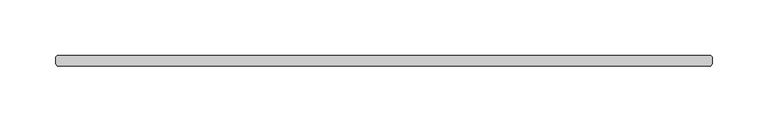
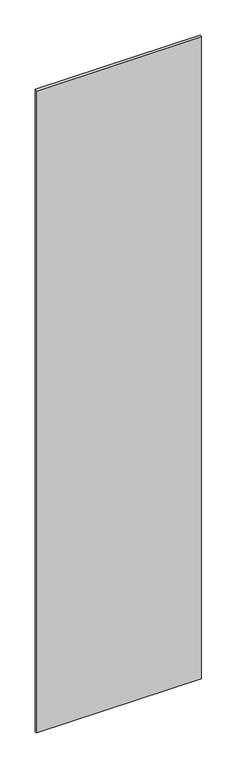
"""IFC4 building model written with IfcOpenShell, lengths in millimetres: plate geometry."""

import ifcopenshell
import ifcopenshell.guid

model = None  # the IFC model being written
_history = None  # IfcOwnerHistory: only IFC2X3 demands one
_inside = {}  # id of a spatial element -> (the spatial element, [elements in it])
_under = {}  # id of a project, library or spatial element -> (it, [spatial elements below it])
_declared = {}  # id of a project -> (the project, [libraries it declares])
_typed = {}  # id of a type object -> (the type object, [elements of that type])
_made_of = {}  # id of a material, layer set ... -> (it, [elements and type objects made of it])


def new_model(schema):
    """Start an empty IFC model of exactly this schema.

    Asked for "IFC4X3", IfcOpenShell would pick the latest addendum, in which some entities
    have other attributes; the version numbers below select the first issue.
    IFC2X3 requires an IfcOwnerHistory on every rooted entity: one is made here for all.
    """
    global model, _history
    if schema == "IFC4X3":
        model = ifcopenshell.file(schema_version=(4, 3, 0, 0))
    else:
        model = ifcopenshell.file(schema=schema)
    _inside.clear()
    _under.clear()
    _declared.clear()
    _typed.clear()
    _made_of.clear()
    _history = None
    if model.schema == "IFC2X3":
        org = make("IfcOrganization", Name="unknown")
        user = make(
            "IfcPersonAndOrganization",
            ThePerson=make("IfcPerson", FamilyName="unknown"),
            TheOrganization=org,
        )
        app = make(
            "IfcApplication",
            ApplicationDeveloper=org,
            Version="unknown",
            ApplicationFullName="unknown",
            ApplicationIdentifier="unknown",
        )
        _history = make(
            "IfcOwnerHistory",
            OwningUser=user,
            OwningApplication=app,
            ChangeAction="ADDED",
            CreationDate=0,
        )
    return model


def make(cls, **values):
    """One entity of the class cls with the attributes given. An attribute that is None is left unset."""
    return model.create_entity(
        cls, **{name: value for name, value in values.items() if value is not None}
    )


def rooted(cls, **values):
    """An entity with a GlobalId (a new one), such as an element, a storey or a relation."""
    return make(cls, GlobalId=ifcopenshell.guid.new(), OwnerHistory=_history, **values)


def si_unit(unit_type, name, prefix=None):
    """IfcSIUnit, for example si_unit("LENGTHUNIT", "METRE", prefix="MILLI")."""
    return make("IfcSIUnit", UnitType=unit_type, Prefix=prefix, Name=name)


def assignment(units):
    """IfcUnitAssignment: the units of a project."""
    return None if units is None else make("IfcUnitAssignment", Units=units)


def point(xyz):
    """IfcCartesianPoint."""
    return None if xyz is None else make("IfcCartesianPoint", Coordinates=xyz)


def direction(xyz):
    """IfcDirection."""
    return None if xyz is None else make("IfcDirection", DirectionRatios=xyz)


def frame(location, z_axis=None, x_axis=None):
    """IfcAxis2Placement3D, a coordinate frame: its origin and axes. An axis left out is left unset."""
    return make(
        "IfcAxis2Placement3D",
        Location=point(location),
        Axis=direction(z_axis),
        RefDirection=direction(x_axis),
    )


def origin():
    """The frame at (0, 0, 0) with its axes left unset."""
    return frame((0.0, 0.0, 0.0))


def origin_with_axes():
    """The frame at (0, 0, 0) with the z axis (0, 0, 1) and the x axis (1, 0, 0) written out."""
    return frame((0.0, 0.0, 0.0), z_axis=(0.0, 0.0, 1.0), x_axis=(1.0, 0.0, 0.0))


def place(relative_to, where):
    """IfcLocalPlacement: puts the frame where relative to a parent placement (None: the world)."""
    return make(
        "IfcLocalPlacement", PlacementRelTo=relative_to, RelativePlacement=where
    )


def context(
    kind, dimensions, precision=None, world=None, true_north=None, identifier=None
):
    """IfcGeometricRepresentationContext, for example the 3D "Model" context."""
    return make(
        "IfcGeometricRepresentationContext",
        ContextIdentifier=identifier,
        ContextType=kind,
        CoordinateSpaceDimension=dimensions,
        Precision=precision,
        WorldCoordinateSystem=world,
        TrueNorth=true_north,
    )


def project(units=None, contexts=None):
    """IfcProject with its units and contexts."""
    return rooted(
        "IfcProject",
        Name="project",
        RepresentationContexts=contexts,
        UnitsInContext=assignment(units),
    )


def spatial(cls, under=None, at=None, **own):
    """A site, building, storey or space (cls), placed at a placement, below another one or the project."""
    s = rooted(cls, ObjectPlacement=at, **own)
    if under is not None:
        _under.setdefault(under.id(), (under, []))[1].append(s)
    return s


def polyline(points):
    """IfcPolyline through the points."""
    return make("IfcPolyline", Points=[point(p) for p in points])


def outline(outer, holes=None, kind="AREA"):
    """IfcArbitraryClosedProfileDef: a profile drawn as a closed curve; with holes, ...WithVoids."""
    if holes is None:
        return make("IfcArbitraryClosedProfileDef", ProfileType=kind, OuterCurve=outer)
    return make(
        "IfcArbitraryProfileDefWithVoids",
        ProfileType=kind,
        OuterCurve=outer,
        InnerCurves=holes,
    )


def extrude(swept, where, along, depth):
    """IfcExtrudedAreaSolid: the profile swept, set in the frame where, extruded along a direction by depth."""
    return make(
        "IfcExtrudedAreaSolid",
        SweptArea=swept,
        Position=where,
        ExtrudedDirection=direction(along),
        Depth=depth,
    )


def shape(context_of_items, identifier, shape_type, items):
    """IfcShapeRepresentation: the items that make up one representation, for example the "Body"."""
    return make(
        "IfcShapeRepresentation",
        ContextOfItems=context_of_items,
        RepresentationIdentifier=identifier,
        RepresentationType=shape_type,
        Items=items,
    )


def source(mapping_origin, context_of_items, identifier, shape_type, items):
    """IfcRepresentationMap: a shape defined once, which mapped items show again and again."""
    return make(
        "IfcRepresentationMap",
        MappingOrigin=mapping_origin,
        MappedRepresentation=shape(context_of_items, identifier, shape_type, items),
    )


def transform(
    local_origin,
    x_axis=None,
    y_axis=None,
    z_axis=None,
    scale=None,
    scale2=None,
    scale3=None,
    uniform=True,
):
    """IfcCartesianTransformationOperator3D, or its non-uniform kind. x_axis, y_axis, z_axis: its Axis1, 2, 3."""
    if uniform:
        return make(
            "IfcCartesianTransformationOperator3D",
            Axis1=direction(x_axis),
            Axis2=direction(y_axis),
            LocalOrigin=point(local_origin),
            Scale=scale,
            Axis3=direction(z_axis),
        )
    return make(
        "IfcCartesianTransformationOperator3DnonUniform",
        Axis1=direction(x_axis),
        Axis2=direction(y_axis),
        LocalOrigin=point(local_origin),
        Scale=scale,
        Axis3=direction(z_axis),
        Scale2=scale2,
        Scale3=scale3,
    )


def mapped(mapping_source, mapping_target):
    """IfcMappedItem: shows the shape of a source again, moved by a transform."""
    return make(
        "IfcMappedItem", MappingSource=mapping_source, MappingTarget=mapping_target
    )


def made_of(thing, what):
    """Note that an element or type object is made of a material, layer set ...; save() writes the relation."""
    if what is not None:
        _made_of.setdefault(what.id(), (what, []))[1].append(thing)
    return thing


def element(
    cls,
    number,
    at=None,
    inside=None,
    cuts=None,
    type_object=None,
    material=None,
    context=None,
    identifier="Body",
    shape_type=None,
    held_by="IfcProductDefinitionShape",
    body=None,
    shapes=None,
    **own,
):
    """One element of the class cls, such as IfcWall. Its Tag is "e" and its number.

    at: its placement. inside: the storey or other place that contains it. cuts: it is an
    opening in that element (IfcRelVoidsElement). A single representation is given by context,
    identifier, shape_type and body (its items); several are given by shapes. held_by: the class
    of the entity that holds the representations. save() writes the other relations.
    """
    e = rooted(cls, Tag="e%d" % number, ObjectPlacement=at, **own)
    if body is not None:
        shapes = [shape(context, identifier, shape_type, body)]
    if shapes is not None:
        e.Representation = make(held_by, Representations=shapes)
    if inside is not None:
        _inside.setdefault(inside.id(), (inside, []))[1].append(e)
    if cuts is not None:
        rooted(
            "IfcRelVoidsElement", RelatingBuildingElement=cuts, RelatedOpeningElement=e
        )
    if type_object is not None:
        _typed.setdefault(type_object.id(), (type_object, []))[1].append(e)
    return made_of(e, material)


def aggregate(whole, parts):
    """IfcRelAggregates: a whole, such as a stair, and the parts it consists of."""
    return rooted("IfcRelAggregates", RelatingObject=whole, RelatedObjects=parts)


def save(model, path):
    """Write the relations noted so far, then the file.

    IfcRelAggregates (storeys below a building ...), IfcRelContainedInSpatialStructure (elements
    in a storey), IfcRelDefinesByType, IfcRelAssociatesMaterial and IfcRelDeclares: one each for
    every whole, place, type object, material and project.
    """
    for whole, parts in _under.values():
        aggregate(whole, parts)
    for where, things in _inside.values():
        rooted(
            "IfcRelContainedInSpatialStructure",
            RelatedElements=things,
            RelatingStructure=where,
        )
    for kind, things in _typed.values():
        rooted("IfcRelDefinesByType", RelatedObjects=things, RelatingType=kind)
    for what, things in _made_of.values():
        rooted("IfcRelAssociatesMaterial", RelatedObjects=things, RelatingMaterial=what)
    for by, libraries in _declared.values():
        rooted("IfcRelDeclares", RelatingContext=by, RelatedDefinitions=libraries)
    model.write(path)


def plate_1514307c(model_context):
    return source(origin(), model_context, "Body", "SweptSolid", [
        extrude(outline(polyline([(294.084375, -34.925), (-294.084375, -34.925), (-295.671875, -33.3375), (-295.671875, -26.9875), (-294.084375, -25.4), (294.084375, -25.4), (295.671875, -26.9875), (295.671875, -33.3375), (294.084375, -34.925)])), origin_with_axes(), (0.0, 0.0, 1.0), 2428.7789267),
    ])


if __name__ == "__main__":
    model = new_model("IFC4")
    model_context = context("Model", 3, world=origin())
    ifc_project = project(units=[si_unit("LENGTHUNIT", "METRE", prefix="MILLI")], contexts=[model_context])
    site = spatial("IfcSite", under=ifc_project)
    building = spatial("IfcBuilding", under=site)
    placement = place(None, origin())
    plate_shape = plate_1514307c(model_context)
    element("IfcPlate", 1, at=placement, inside=building, context=model_context, shape_type="MappedRepresentation", body=[
        mapped(plate_shape, transform((0.0, 0.0, 0.0), x_axis=(1.0, 0.0, 0.0), y_axis=(0.0, 1.0, 0.0), z_axis=(0.0, 0.0, 1.0))),
    ])
    save(model, "model.ifc")
